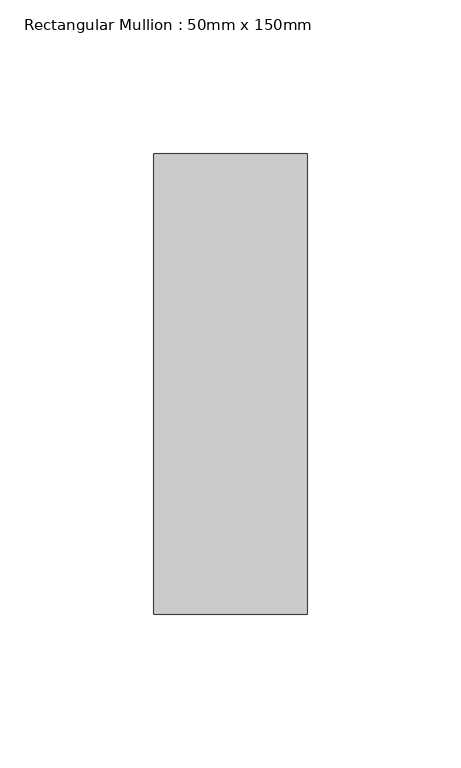
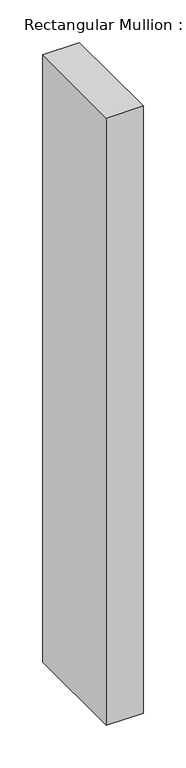
"""IFC4 building model written with IfcOpenShell, lengths in millimetres: member geometry, Rectangular Mullion : 50mm x 150mm."""

from ifc_helpers import new_model, si_unit, frame, origin, place, context, project, spatial, polyline, outline, extrude, source, transform, mapped, element, save


def rectangular_mullion_50mm_x_150mm_ec429cc0(model_context):
    return source(origin(), model_context, "Body", "SweptSolid", [
        extrude(outline(polyline([(0.0, 75.0), (0.0, -75.0), (-50.0, -75.0), (-50.0, 75.0), (0.0, 75.0)])), frame((0.0, 0.0, -872.0247946), z_axis=(0.0, 0.0, 1.0), x_axis=(1.0, 0.0, 0.0)), (0.0, 0.0, 1.0), 872.0247946),
    ])


if __name__ == "__main__":
    model = new_model("IFC4")
    model_context = context("Model", 3, world=origin())
    ifc_project = project(units=[si_unit("LENGTHUNIT", "METRE", prefix="MILLI")], contexts=[model_context])
    site = spatial("IfcSite", under=ifc_project)
    building = spatial("IfcBuilding", under=site)
    placement = place(None, origin())
    rectangular_mullion_50mm_x_150mm_shape = rectangular_mullion_50mm_x_150mm_ec429cc0(model_context)
    element("IfcMember", 1, ObjectType="Rectangular Mullion : 50mm x 150mm", at=placement, inside=building, context=model_context, shape_type="MappedRepresentation", body=[
        mapped(rectangular_mullion_50mm_x_150mm_shape, transform((0.0, 0.0, 0.0), x_axis=(1.0, 0.0, 0.0), y_axis=(0.0, 1.0, 0.0), z_axis=(0.0, 0.0, 1.0))),
    ])
    save(model, "model.ifc")
